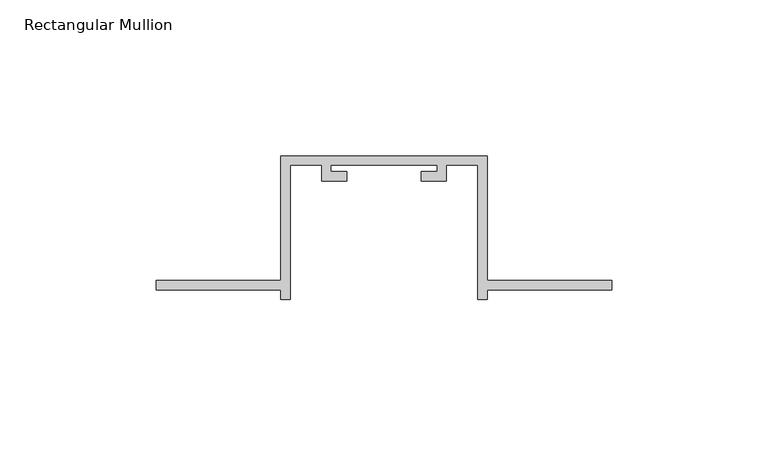
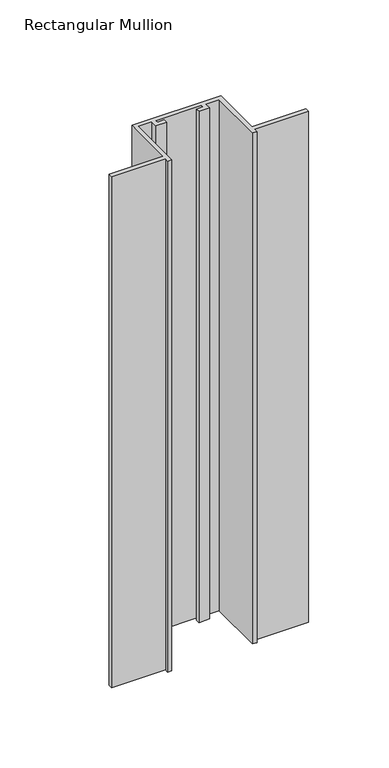
"""IFC4 building model written with IfcOpenShell, lengths in millimetres: member geometry, Rectangular Mullion."""

from ifc_helpers import new_model, si_unit, frame, origin, place, context, project, spatial, polyline, outline, extrude, source, transform, mapped, element, save


def rectangular_mullion_762f5963(model_context):
    return source(origin(), model_context, "Body", "SweptSolid", [
        extrude(outline(polyline([(-40.0, -132.0), (-40.0, -135.0), (-43.0, -135.0), (-43.0, -92.0), (-53.0, -92.0), (-53.0, -97.0), (-61.0, -97.0), (-61.0, -94.0), (-56.0, -94.0), (-56.0, -92.0), (-90.0, -92.0), (-90.0, -94.0), (-85.0, -94.0), (-85.0, -97.0), (-93.0, -97.0), (-93.0, -92.0), (-103.0, -92.0), (-103.0, -135.0), (-106.0, -135.0), (-106.0, -132.0), (-146.0, -132.0), (-146.0, -129.0), (-106.0, -129.0), (-106.0, -89.0), (-40.0, -89.0), (-40.0, -129.0), (0.0, -129.0), (0.0, -132.0), (-40.0, -132.0)])), frame((0.0, 0.0, -400.0), z_axis=(0.0, 0.0, 1.0), x_axis=(1.0, 0.0, 0.0)), (0.0, 0.0, 1.0), 400.0),
    ])


if __name__ == "__main__":
    model = new_model("IFC4")
    model_context = context("Model", 3, world=origin())
    ifc_project = project(units=[si_unit("LENGTHUNIT", "METRE", prefix="MILLI")], contexts=[model_context])
    site = spatial("IfcSite", under=ifc_project)
    building = spatial("IfcBuilding", under=site)
    placement = place(None, origin())
    rectangular_mullion_shape = rectangular_mullion_762f5963(model_context)
    element("IfcMember", 1, ObjectType="Rectangular Mullion", at=placement, inside=building, context=model_context, shape_type="MappedRepresentation", body=[
        mapped(rectangular_mullion_shape, transform((0.0, 0.0, 0.0), x_axis=(1.0, 0.0, 0.0), y_axis=(0.0, 1.0, 0.0), z_axis=(0.0, 0.0, 1.0))),
    ])
    save(model, "model.ifc")
